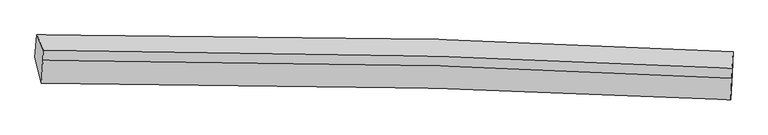
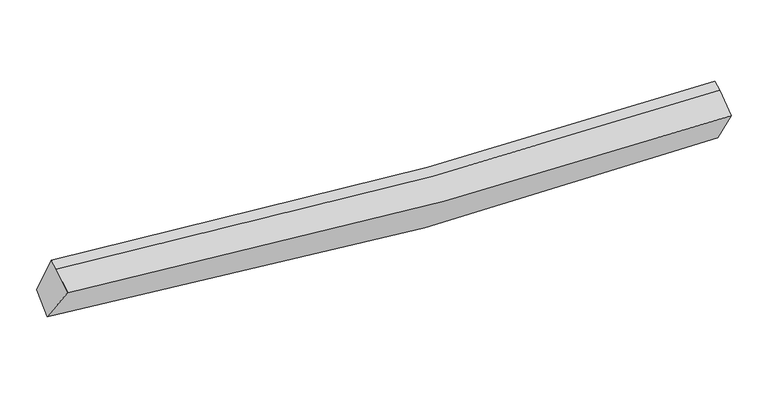
"""IFC4 building model written with IfcOpenShell, lengths in millimetres: proxy geometry."""

from ifc_helpers import new_model, si_unit, frame, origin, place, context, project, spatial, source, transform, mapped, element, save
from ifc_brep_helpers import plane_surface, spline_curve, spline_surface, advanced_brep


def generic_models_0ea87938(model_context):
    return source(origin(), model_context, "Body", "AdvancedBrep", [
        advanced_brep(
        [(-4993.7405603, -1943.7991422, 2952.153702), (-4963.2951619, -1617.2544031, 3190.0311115), (5316.6086484, -1863.2626163, 2676.7024698), (5303.9973782, -2190.0395583, 2437.5334146), (-4896.8194617, -2333.4978431, 3549.7666396), (5284.1256771, -2578.2176005, 3043.605129), (-4876.2100111, -1994.8337591, 3723.9318574), (5296.6912674, -2255.4025919, 3260.3586507), (-4870.15246, -1845.365731, 3780.6999351), (5302.7488185, -2105.9345638, 3317.1267284)],
        [
            (0, 1),
            (1, 2, spline_curve(3, [(-4963.2951619, -1617.2544031, 3190.0311115), (-3009.148989982, -1604.496858047, 2918.790885772), (-1052.624564306, -1625.812912254, 2746.677664763), (2375.051260029, -1722.733385325, 2618.966833388), (3845.161438396, -1783.420069024, 2619.970507216), (5316.6086484, -1863.2626163, 2676.7024698)], [4, 2, 4], [0.0, 19.356215804408418, 33.869387021925476])),
            (2, 3),
            (3, 0, spline_curve(3, [(5303.9973782, -2190.0395583, 2437.5334146), (3828.837178943, -2075.919111448, 2338.495988474), (2355.513501008, -1995.628536985, 2313.393971415), (-1078.496012728, -1887.203196504, 2427.356455408), (-3037.751647603, -1885.413632889, 2623.998568361), (-4993.7405603, -1943.7991422, 2952.153702)], [4, 2, 4], [0.0, 14.513171217517058, 33.869387021925476])),
            (4, 0),
            (3, 5),
            (5, 4, spline_curve(3, [(5284.1256771, -2578.2176005, 3043.605129), (3825.059704868, -2501.402539741, 3001.742863198), (2368.082144573, -2442.524912144, 3008.798494278), (-1027.192596919, -2346.982783832, 3139.423913656), (-2963.863416016, -2324.287158185, 3301.088786155), (-4896.8194617, -2333.4978431, 3549.7666396)], [4, 2, 4], [0.0, 14.4410868154756, 33.70116365610179])),
            (6, 4),
            (5, 7),
            (7, 6, spline_curve(3, [(5296.6912674, -2255.4025919, 3260.3586507), (3839.787989764, -2178.309448149, 3217.533429578), (2384.538726928, -2118.302850848, 3221.432107269), (-1007.716439153, -2018.140330101, 3339.570013258), (-2943.434269027, -1991.290649737, 3490.195737614), (-4876.2100111, -1994.8337591, 3723.9318574)], [4, 2, 4], [0.0, 14.342353048168704, 33.47074866774874])),
            (8, 6),
            (7, 9),
            (9, 8, spline_curve(3, [(5302.7488185, -2105.9345638, 3317.1267284), (3845.735129627, -2031.565776495, 3273.266794373), (2390.4227673, -1973.116137962, 3276.574138093), (-1001.869242704, -1873.862734738, 3394.366760282), (-2937.523973209, -1845.456095934, 3545.583818798), (-4870.15246, -1845.365731, 3780.6999351)], [4, 2, 4], [0.0, 14.334944364422018, 33.45345902282009])),
            (1, 8),
            (9, 2),
        ],
        [
            spline_surface(3, 3, [[(-4993.7405603, -1943.7991422, 2952.153702), (-3037.751647308, -1885.413632861, 2623.998568507), (-1078.496012659, -1887.20319679, 2427.356455525), (2355.513500957, -1995.628536771, 2313.393971328), (3828.837179166, -2075.919111535, 2338.495988492), (5303.9973782, -2190.0395583, 2437.5334146)], [(-4983.592094183, -1834.950895827, 3031.446171851), (-3028.217428197, -1791.774707959, 2722.26267436), (-1069.872196592, -1800.073101923, 2533.796858668), (2362.026087389, -1904.663486308, 2415.251591941), (3834.278598847, -1978.419430719, 2432.320827998), (5308.201134933, -2081.113910975, 2517.256432997)], [(-4973.443628017, -1726.102649473, 3110.738641649), (-3018.683209038, -1698.135783076, 2820.526780161), (-1061.248380588, -1712.943007052, 2640.237261855), (2368.538673757, -1813.69843584, 2517.109212599), (3839.72001853, -1880.919749877, 2526.145667514), (5312.404891667, -1972.188263625, 2596.979451403)], [(-4963.2951619, -1617.2544031, 3190.0311115), (-3009.148989927, -1604.496858173, 2918.790886015), (-1052.624564521, -1625.812912186, 2746.677664998), (2375.05126019, -1722.733385377, 2618.966833212), (3845.16143821, -1783.42006906, 2619.97050702), (5316.6086484, -1863.2626163, 2676.7024698)]], [4, 4], [4, 2, 4], [0.0, 1.35112589549278], [0.0, 19.356215804408418, 33.869387021925476]),
            spline_surface(3, 3, [[(-4896.8194617, -2333.4978431, 3549.7666396), (-2963.863416269, -2324.287158491, 3301.088785987), (-1027.192597057, -2346.982783599, 3139.42391344), (2368.082144676, -2442.524912319, 3008.79849444), (3825.059705085, -2501.402539648, 3001.742863409), (5284.1256771, -2578.2176005, 3043.605129)], [(-4929.12649456, -2203.598276132, 3350.562327073), (-2988.492826609, -2177.99598328, 3075.392046833), (-1044.293735586, -2193.722921335, 2902.068094125), (2363.892596775, -2293.559453809, 2776.996986726), (3826.318863117, -2359.574730266, 2780.660571763), (5290.749577472, -2448.824919755, 2841.581224193)], [(-4961.43352744, -2073.698709168, 3151.358014527), (-3013.122236968, -2031.704808072, 2849.695307661), (-1061.39487413, -2040.463059054, 2664.71227484), (2359.703048858, -2144.593995281, 2545.195479042), (3827.578021134, -2217.746920918, 2559.578280138), (5297.373477828, -2319.432239045, 2639.557319407)], [(-4993.7405603, -1943.7991422, 2952.153702), (-3037.751647308, -1885.413632861, 2623.998568507), (-1078.496012659, -1887.20319679, 2427.356455525), (2355.513500957, -1995.628536771, 2313.393971328), (3828.837179166, -2075.919111535, 2338.495988492), (5303.9973782, -2190.0395583, 2437.5334146)]], [4, 4], [4, 2, 4], [0.0, 2.750912547418449], [0.0, 19.26007684062619, 33.70116365610179]),
            spline_surface(3, 3, [[(-4876.2100111, -1994.8337591, 3723.9318574), (-2943.434269004, -1991.290649732, 3490.195737345), (-1007.716439088, -2018.14033005, 3339.570013015), (2384.538726878, -2118.302850887, 3221.432107451), (3839.787989796, -2178.309448141, 3217.533429556), (5296.6912674, -2255.4025919, 3260.3586507)], [(-4883.079827963, -2107.721787104, 3665.876784792), (-2950.243984756, -2102.289485989, 3427.160086884), (-1014.208491755, -2127.754481242, 3272.854646508), (2379.053199467, -2226.376871373, 3150.554236465), (3834.878561552, -2286.007145315, 3145.603240859), (5292.502737293, -2363.007594771, 3188.107476819)], [(-4889.949644837, -2220.609815096, 3607.821712208), (-2957.053700518, -2213.288322234, 3364.124436448), (-1020.70054439, -2237.368632408, 3206.139279948), (2373.567672088, -2334.450891833, 3079.676365426), (3829.969133329, -2393.704842475, 3073.673052106), (5288.314207207, -2470.612597629, 3115.856302881)], [(-4896.8194617, -2333.4978431, 3549.7666396), (-2963.863416269, -2324.287158491, 3301.088785987), (-1027.192597057, -2346.982783599, 3139.42391344), (2368.082144676, -2442.524912319, 3008.79849444), (3825.059705085, -2501.402539648, 3001.742863409), (5284.1256771, -2578.2176005, 3043.605129)]], [4, 4], [4, 2, 4], [0.0, 1.2673848076970435], [0.0, 19.128395619580033, 33.47074866774874]),
            spline_surface(3, 3, [[(-4870.15246, -1845.365731, 3780.6999351), (-2937.523973183, -1845.456095908, 3545.583818582), (-1001.869242785, -1873.862734774, 3394.366760138), (2390.42276736, -1973.116137935, 3276.574138201), (3845.735129796, -2031.565776642, 3273.26679442), (5302.7488185, -2105.9345638, 3317.1267284)], [(-4872.171643704, -1895.188407034, 3761.777242522), (-2939.494071794, -1894.06761385, 3527.121124825), (-1003.818308233, -1921.955266507, 3376.101177762), (2388.461420519, -2021.511708894, 3258.193461283), (3843.752749792, -2080.480333809, 3254.689006121), (5300.729634796, -2155.757239834, 3298.204035822)], [(-4874.190827396, -1945.011083066, 3742.854549978), (-2941.464170393, -1942.67913179, 3508.658431102), (-1005.76737364, -1970.047798316, 3357.835595391), (2386.500073719, -2069.907279928, 3239.812784369), (3841.7703698, -2129.394890974, 3236.111217856), (5298.710451104, -2205.579915866, 3279.281343278)], [(-4876.2100111, -1994.8337591, 3723.9318574), (-2943.434269004, -1991.290649732, 3490.195737345), (-1007.716439088, -2018.14033005, 3339.570013015), (2384.538726878, -2118.302850887, 3221.432107451), (3839.787989796, -2178.309448141, 3217.533429556), (5296.6912674, -2255.4025919, 3260.3586507)]], [4, 4], [4, 2, 4], [0.0, 0.5081877715422266], [0.0, 19.118514658398073, 33.45345902282009]),
            spline_surface(3, 3, [[(-4963.2951619, -1617.2544031, 3190.0311115), (-3009.148989927, -1604.496858173, 2918.790886015), (-1052.624564521, -1625.812912186, 2746.677664998), (2375.05126019, -1722.733385377, 2618.966833212), (3845.16143821, -1783.42006906, 2619.97050702), (5316.6086484, -1863.2626163, 2676.7024698)], [(-4932.247594589, -1693.291512403, 3386.920719362), (-2985.273984335, -1684.816604088, 3127.721863532), (-1035.706123944, -1708.496186391, 2962.574030053), (2380.175095911, -1806.194302906, 2838.169268217), (3845.352668746, -1866.135304919, 2837.735936157), (5311.988705107, -1944.153265464, 2890.17722267)], [(-4901.200027311, -1769.328621697, 3583.810327238), (-2961.398978775, -1765.136349994, 3336.652841064), (-1018.787683362, -1791.179460568, 3178.470395083), (2385.298931639, -1889.655220406, 3057.371703196), (3845.543899261, -1948.850540784, 3055.501365284), (5307.368761793, -2025.043914636, 3103.65197553)], [(-4870.15246, -1845.365731, 3780.6999351), (-2937.523973183, -1845.456095908, 3545.583818582), (-1001.869242785, -1873.862734774, 3394.366760138), (2390.42276736, -1973.116137935, 3276.574138201), (3845.735129796, -2031.565776642, 3273.26679442), (5302.7488185, -2105.9345638, 3317.1267284)]], [4, 4], [4, 2, 4], [0.0, 2.2882148420727892], [0.0, 19.223048061433403, 33.63637092667044]),
            plane_surface(frame((5300.8343579, -2198.5713862, 2947.0652785), z_axis=(0.9990782031262015, -0.042574804567566314, 0.005489085001513686), x_axis=(-0.032299245856563207, -0.8297804610482543, -0.5571545074569924))),
            plane_surface(frame((-4920.043531, -1946.9501757, 3439.3166491), z_axis=(-0.9886283781041361, -0.016694585486030977, 0.1494497267399144), x_axis=(-0.07514655699456255, -0.8059908616109748, -0.5871385917919734))),
        ],
        [
            (0, [[1, 2, 3, 4]]),
            (1, [[5, -4, 6, 7]]),
            (2, [[8, -7, 9, 10]]),
            (3, [[11, -10, 12, 13]]),
            (4, [[14, -13, 15, -2]]),
            (5, [[-9, -6, -3, -15, -12]]),
            (6, [[-1, -5, -8, -11, -14]]),
        ],
    ),
    ])


if __name__ == "__main__":
    model = new_model("IFC4")
    model_context = context("Model", 3, world=origin())
    ifc_project = project(units=[si_unit("LENGTHUNIT", "METRE", prefix="MILLI")], contexts=[model_context])
    site = spatial("IfcSite", under=ifc_project)
    building = spatial("IfcBuilding", under=site)
    placement = place(None, origin())
    generic_models_shape = generic_models_0ea87938(model_context)
    element("IfcBuildingElementProxy", 1, Name="Generic Models", at=placement, inside=building, context=model_context, shape_type="MappedRepresentation", body=[
        mapped(generic_models_shape, transform((0.0, 0.0, 0.0), x_axis=(1.0, 0.0, 0.0), y_axis=(0.0, 1.0, 0.0), z_axis=(0.0, 0.0, 1.0))),
    ])
    save(model, "model.ifc")
